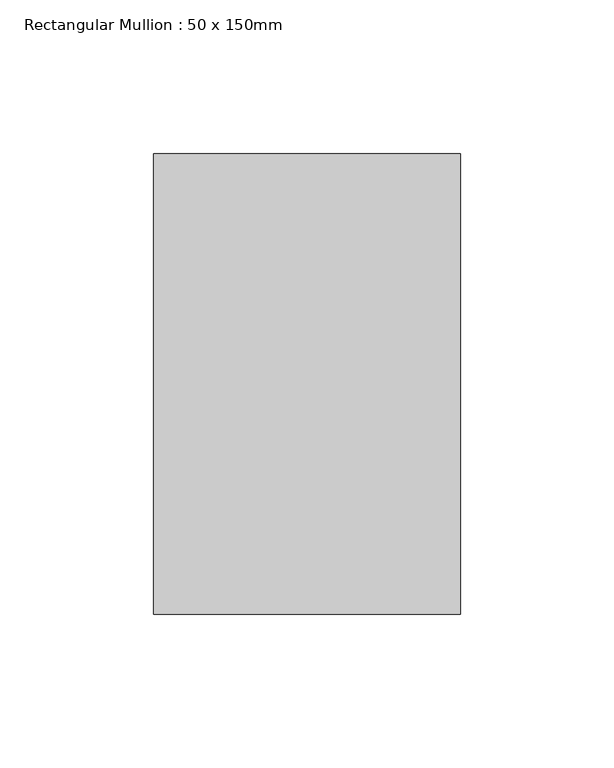
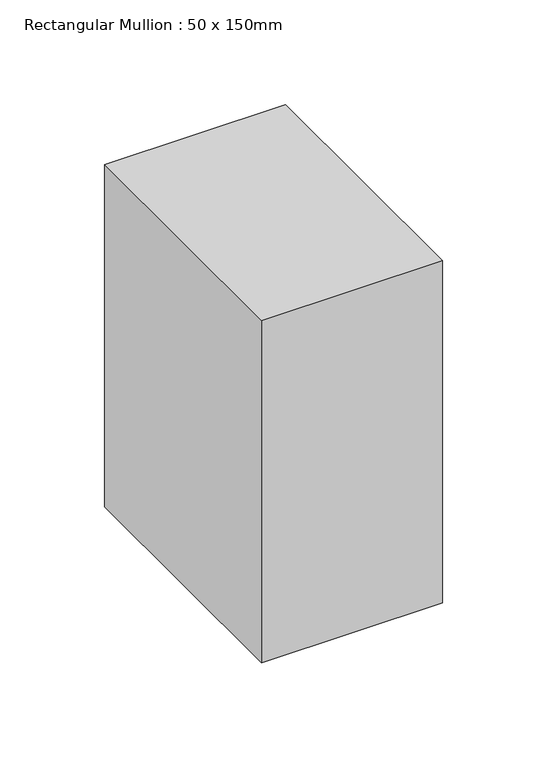
"""IFC4 building model written with IfcOpenShell, lengths in millimetres: member geometry, Rectangular Mullion : 50 x 150mm."""

from ifc_helpers import new_model, si_unit, frame, origin, place, context, project, spatial, polyline, outline, extrude, source, transform, mapped, element, save


def rectangular_mullion_50_x_150mm_b6ae775c(model_context):
    return source(origin(), model_context, "Body", "SweptSolid", [
        extrude(outline(polyline([(0.0, 75.0), (0.0, -75.0), (-100.0, -75.0), (-100.0, 75.0), (0.0, 75.0)])), frame((0.0, 0.0, -200.0), z_axis=(0.0, 0.0, 1.0), x_axis=(1.0, 0.0, 0.0)), (0.0, 0.0, 1.0), 200.0),
    ])


if __name__ == "__main__":
    model = new_model("IFC4")
    model_context = context("Model", 3, world=origin())
    ifc_project = project(units=[si_unit("LENGTHUNIT", "METRE", prefix="MILLI")], contexts=[model_context])
    site = spatial("IfcSite", under=ifc_project)
    building = spatial("IfcBuilding", under=site)
    placement = place(None, origin())
    rectangular_mullion_50_x_150mm_shape = rectangular_mullion_50_x_150mm_b6ae775c(model_context)
    element("IfcMember", 1, ObjectType="Rectangular Mullion : 50 x 150mm", at=placement, inside=building, context=model_context, shape_type="MappedRepresentation", body=[
        mapped(rectangular_mullion_50_x_150mm_shape, transform((0.0, 0.0, 0.0), x_axis=(1.0, 0.0, 0.0), y_axis=(0.0, 1.0, 0.0), z_axis=(0.0, 0.0, 1.0))),
    ])
    save(model, "model.ifc")
